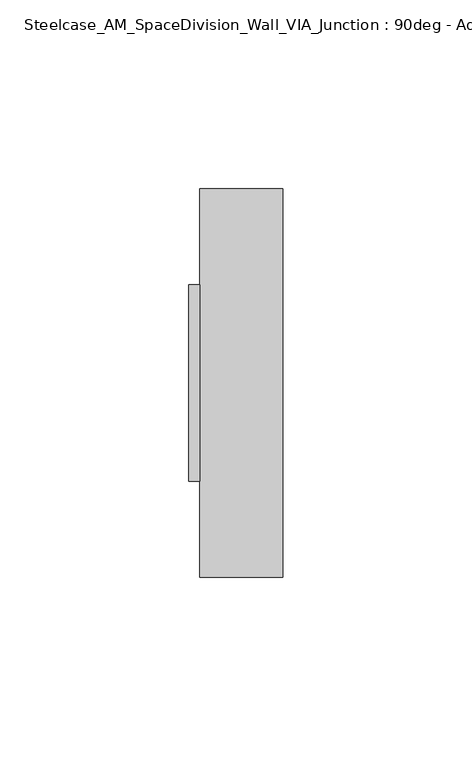
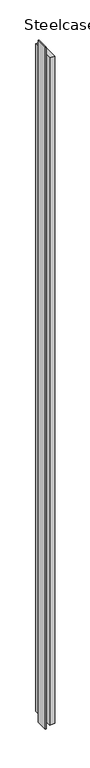
"""IFC4 building model written with IfcOpenShell, lengths in millimetres: furniture geometry, Steelcase_AM_SpaceDivision_Wall_VIA_Junction : 90deg - Adaptor."""

from ifc_helpers import new_model, si_unit, frame, origin, origin_with_axes, place, context, project, spatial, polyline, outline, extrude, source, transform, mapped, element, save


def steelcase_am_spacedivision_wall_via_junction_90deg_adaptor_a882ff70(model_context):
    return source(origin(), model_context, "Body", "SweptSolid", [
        extrude(outline(polyline([(-176.1915113, 25.9969), (-173.1943113, 25.9969), (-173.1943113, -25.9969), (-176.1915113, -25.9969), (-176.1915113, 25.9969)])), origin_with_axes(), (0.0, 0.0, 1.0), 3048.0),
        extrude(outline(polyline([(-173.1943113, 51.5112), (-151.1979113, 51.5112), (-151.1979113, -51.5112), (-173.1943113, -51.5112), (-173.1943113, 51.5112)])), frame((0.0, 0.0, 32.004), z_axis=(0.0, 0.0, 1.0), x_axis=(1.0, 0.0, 0.0)), (0.0, 0.0, 1.0), 2983.992),
    ])


if __name__ == "__main__":
    model = new_model("IFC4")
    model_context = context("Model", 3, world=origin())
    ifc_project = project(units=[si_unit("LENGTHUNIT", "METRE", prefix="MILLI")], contexts=[model_context])
    site = spatial("IfcSite", under=ifc_project)
    building = spatial("IfcBuilding", under=site)
    placement = place(None, origin())
    steelcase_am_spacedivision_wall_via_junction_90deg_adaptor_shape = steelcase_am_spacedivision_wall_via_junction_90deg_adaptor_a882ff70(model_context)
    element("IfcFurniture", 1, ObjectType="Steelcase_AM_SpaceDivision_Wall_VIA_Junction : 90deg - Adaptor", at=placement, inside=building, context=model_context, shape_type="MappedRepresentation", body=[
        mapped(steelcase_am_spacedivision_wall_via_junction_90deg_adaptor_shape, transform((0.0, 0.0, 0.0), x_axis=(1.0, 0.0, 0.0), y_axis=(0.0, 1.0, 0.0), z_axis=(0.0, 0.0, 1.0))),
    ])
    save(model, "model.ifc")
